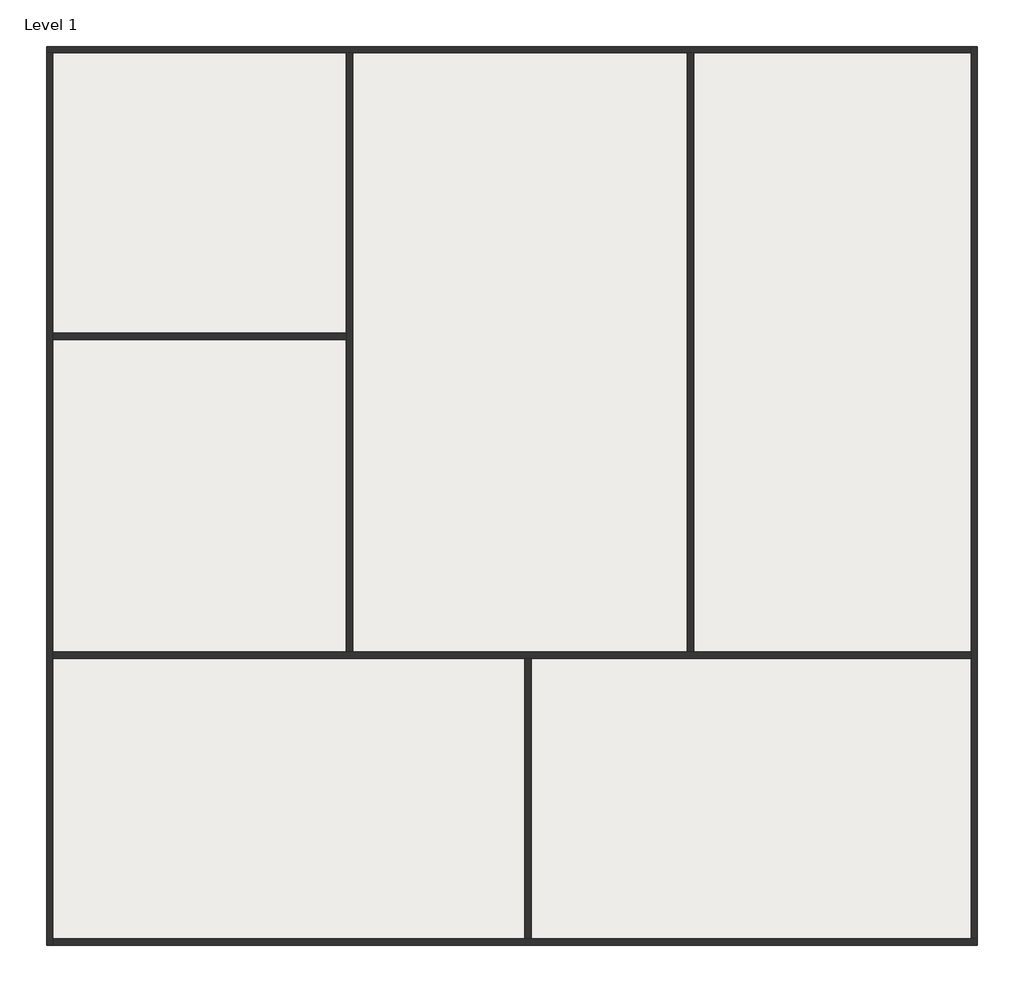
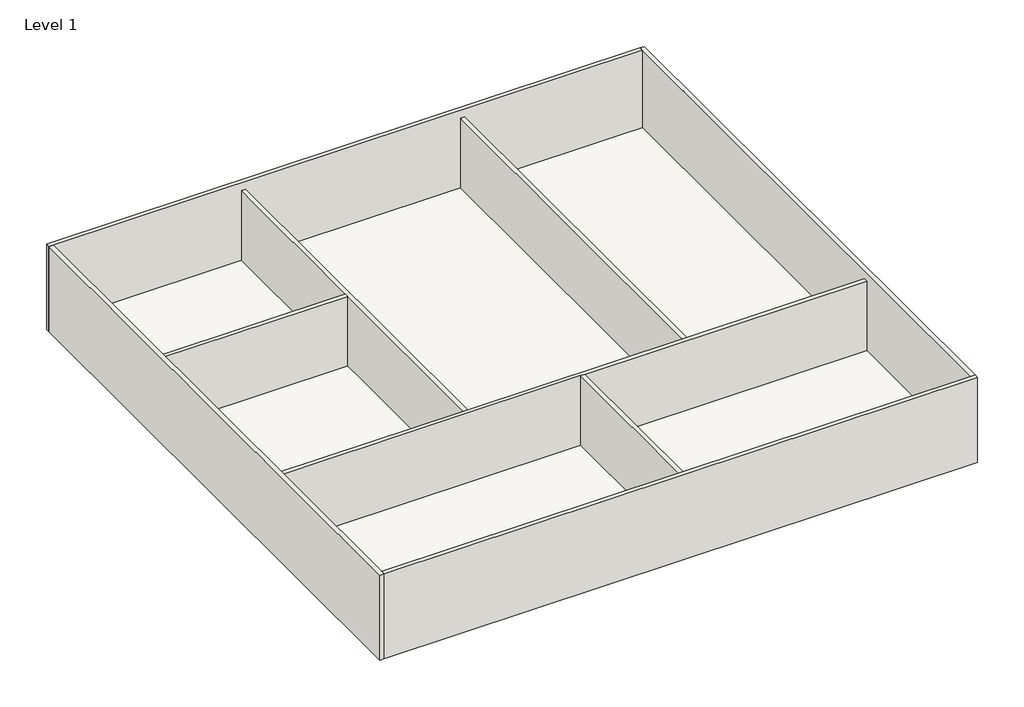
# One storey: 9 walls, 1 slab.
"""IFC4 building model written with IfcOpenShell, lengths in millimetres."""

from ifc_helpers import new_model, si_unit, frame, origin, origin_with_axes, place, context, project, spatial, polyline, outline, extrude, faceted_brep, element, save

model = new_model("IFC4")

# Units and contexts
model_context = context("Model", 3, world=origin())
ifc_project = project(units=[si_unit("LENGTHUNIT", "METRE", prefix="MILLI")], contexts=[model_context])

# Site, building, storey
site = spatial("IfcSite", under=ifc_project)
building = spatial("IfcBuilding", under=site)
storey = spatial("IfcBuildingStorey", under=building, Name="Level 1", Elevation=0.0)

# Slab
placement = place(None, origin())
element("IfcSlab", 1, ObjectType="Generic Floor - 400mm", at=placement, inside=storey, context=model_context, shape_type="SweptSolid", body=[
    extrude(outline(polyline([(-13024.8992518, 13536.3180542), (15775.1007482, 13536.3180542), (15775.1007482, -14263.6819458), (-13024.8992518, -14263.6819458), (-13024.8992518, 13536.3180542)])), frame((0.0, 0.0, -400.0), z_axis=(0.0, 0.0, 1.0), x_axis=(1.0, 0.0, 0.0)), (0.0, 0.0, 1.0), 400.0),
])

# Walls
element("IfcWall", 2, ObjectType="Generic - 200mm", at=placement, inside=storey, context=model_context, shape_type="Brep", body=[
    faceted_brep([(-13224.8992518, 13536.3180542, -400.0), (-13024.8992518, 13536.3180542, -400.0), (15775.1007482, 13536.3180542, -400.0), (15775.1007482, 13536.3180542, 4000.0), (-13024.8992518, 13536.3180542, 4000.0), (-13224.8992518, 13536.3180542, 4000.0), (-13224.8992518, 13736.3180542, -400.0), (-13224.8992518, 13736.3180542, 4000.0), (15775.1007482, 13736.3180542, 4000.0), (15775.1007482, 13736.3180542, -400.0)], [[[0, 1, 2, 3, 4, 5]], [[6, 7, 8, 9]], [[2, 1, 0, 6, 9]], [[5, 4, 3, 8, 7]], [[0, 5, 7, 6]], [[3, 2, 9, 8]]]),
])
element("IfcWall", 3, ObjectType="Generic - 200mm", at=placement, inside=storey, context=model_context, shape_type="Brep", body=[
    faceted_brep([(-13024.8992518, -14463.6819458, -400.0), (-13024.8992518, -14263.6819458, -400.0), (-13024.8992518, 13536.3180542, -400.0), (-13024.8992518, 13536.3180542, 4000.0), (-13024.8992518, -14263.6819458, 4000.0), (-13024.8992518, -14463.6819458, 4000.0), (-13224.8992518, -14463.6819458, -400.0), (-13224.8992518, -14463.6819458, 4000.0), (-13224.8992518, 13536.3180542, 4000.0), (-13224.8992518, 13536.3180542, -400.0)], [[[0, 1, 2, 3, 4, 5]], [[6, 7, 8, 9]], [[2, 1, 0, 6, 9]], [[5, 4, 3, 8, 7]], [[0, 5, 7, 6]], [[3, 2, 9, 8]]]),
])
element("IfcWall", 4, ObjectType="Generic - 200mm", at=placement, inside=storey, context=model_context, shape_type="Brep", body=[
    faceted_brep([(15975.1007482, -14263.6819458, -400.0), (15775.1007482, -14263.6819458, -400.0), (-13024.8992518, -14263.6819458, -400.0), (-13024.8992518, -14263.6819458, 4000.0), (15775.1007482, -14263.6819458, 4000.0), (15975.1007482, -14263.6819458, 4000.0), (15975.1007482, -14463.6819458, -400.0), (15975.1007482, -14463.6819458, 4000.0), (-13024.8992518, -14463.6819458, 4000.0), (-13024.8992518, -14463.6819458, -400.0)], [[[0, 1, 2, 3, 4, 5]], [[6, 7, 8, 9]], [[2, 1, 0, 6, 9]], [[5, 4, 3, 8, 7]], [[0, 5, 7, 6]], [[3, 2, 9, 8]]]),
])
element("IfcWall", 5, ObjectType="Generic - 200mm", at=placement, inside=storey, context=model_context, shape_type="Brep", body=[
    faceted_brep([(15775.1007482, 13736.3180542, -400.0), (15775.1007482, 13536.3180542, -400.0), (15775.1007482, -14263.6819458, -400.0), (15775.1007482, -14263.6819458, 4000.0), (15775.1007482, 13536.3180542, 4000.0), (15775.1007482, 13736.3180542, 4000.0), (15975.1007482, 13736.3180542, -400.0), (15975.1007482, 13736.3180542, 4000.0), (15975.1007482, -14263.6819458, 4000.0), (15975.1007482, -14263.6819458, -400.0)], [[[0, 1, 2, 3, 4, 5]], [[6, 7, 8, 9]], [[2, 1, 0, 6, 9]], [[5, 4, 3, 8, 7]], [[0, 5, 7, 6]], [[3, 2, 9, 8]]]),
])
element("IfcWall", 6, ObjectType="Generic - 200mm", at=placement, inside=storey, context=model_context, shape_type="Brep", body=[
    faceted_brep([(15775.1007482, -5263.6819458, 0.0), (7075.1007482, -5263.6819458, 0.0), (6875.1007482, -5263.6819458, 0.0), (-3624.8992518, -5263.6819458, 0.0), (-3824.8992518, -5263.6819458, 0.0), (-13024.8992518, -5263.6819458, 0.0), (-13024.8992518, -5263.6819458, 3600.0), (-3824.8992518, -5263.6819458, 3600.0), (-3624.8992518, -5263.6819458, 3600.0), (6875.1007482, -5263.6819458, 3600.0), (7075.1007482, -5263.6819458, 3600.0), (15775.1007482, -5263.6819458, 3600.0), (15775.1007482, -5463.6819458, 0.0), (15775.1007482, -5463.6819458, 3600.0), (1975.1007482, -5463.6819458, 3600.0), (1775.1007482, -5463.6819458, 3600.0), (-13024.8992518, -5463.6819458, 3600.0), (-13024.8992518, -5463.6819458, 0.0), (1775.1007482, -5463.6819458, 0.0), (1975.1007482, -5463.6819458, 0.0)], [[[0, 1, 2, 3, 4, 5, 6, 7, 8, 9, 10, 11]], [[12, 13, 14, 15, 16, 17, 18, 19]], [[5, 4, 3, 2, 1, 0, 12, 19, 18, 17]], [[11, 10, 9, 8, 7, 6, 16, 15, 14, 13]], [[6, 5, 17, 16]], [[0, 11, 13, 12]]]),
])
element("IfcWall", 7, ObjectType="Generic - 200mm", at=placement, inside=storey, context=model_context, shape_type="SweptSolid", body=[
    extrude(outline(polyline([(6875.1007482, -5263.6819458), (6875.1007482, 13536.3180542), (7075.1007482, 13536.3180542), (7075.1007482, -5263.6819458), (6875.1007482, -5263.6819458)])), origin_with_axes(), (0.0, 0.0, 1.0), 3600.0),
])
element("IfcWall", 8, ObjectType="Generic - 200mm", at=placement, inside=storey, context=model_context, shape_type="Brep", body=[
    faceted_brep([(-3824.8992518, 13536.3180542, 0.0), (-3824.8992518, 4736.3180542, 0.0), (-3824.8992518, 4536.3180542, 0.0), (-3824.8992518, -5263.6819458, 0.0), (-3824.8992518, -5263.6819458, 3600.0), (-3824.8992518, 4536.3180542, 3600.0), (-3824.8992518, 4736.3180542, 3600.0), (-3824.8992518, 13536.3180542, 3600.0), (-3624.8992518, 13536.3180542, 0.0), (-3624.8992518, 13536.3180542, 3600.0), (-3624.8992518, -5263.6819458, 3600.0), (-3624.8992518, -5263.6819458, 0.0)], [[[0, 1, 2, 3, 4, 5, 6, 7]], [[8, 9, 10, 11]], [[3, 2, 1, 0, 8, 11]], [[7, 6, 5, 4, 10, 9]], [[0, 7, 9, 8]], [[4, 3, 11, 10]]]),
])
element("IfcWall", 9, ObjectType="Generic - 200mm", at=placement, inside=storey, context=model_context, shape_type="SweptSolid", body=[
    extrude(outline(polyline([(-13024.8992518, 4736.3180542), (-3824.8992518, 4736.3180542), (-3824.8992518, 4536.3180542), (-13024.8992518, 4536.3180542), (-13024.8992518, 4736.3180542)])), origin_with_axes(), (0.0, 0.0, 1.0), 3600.0),
])
element("IfcWall", 10, ObjectType="Generic - 200mm", at=placement, inside=storey, context=model_context, shape_type="SweptSolid", body=[
    extrude(outline(polyline([(1775.1007482, -14263.6819458), (1775.1007482, -5463.6819458), (1975.1007482, -5463.6819458), (1975.1007482, -14263.6819458), (1775.1007482, -14263.6819458)])), origin_with_axes(), (0.0, 0.0, 1.0), 3600.0),
])

save(model, "model.ifc")
